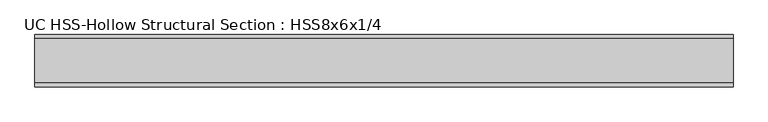
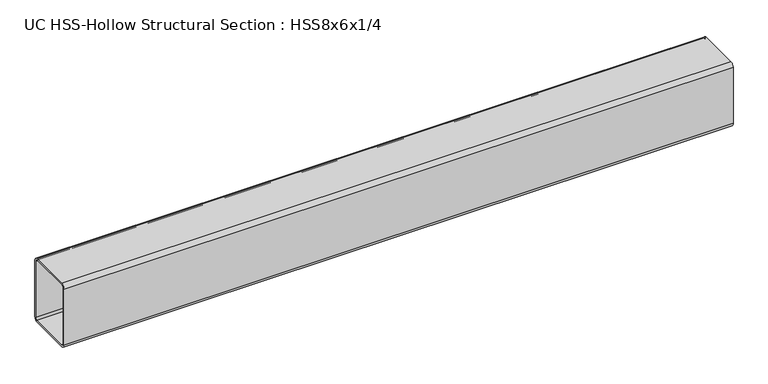
"""IFC4 building model written with IfcOpenShell, lengths in millimetres: beam geometry, UC HSS-Hollow Structural Section : HSS8x6x1/4."""

from ifc_helpers import new_model, si_unit, point, frame, frame_2d, origin, place, context, project, spatial, polyline, circle_curve, trimmed, segment, composite_curve, outline, extrude, source, transform, mapped, element, save


def uc_hss_hollow_structural_section_hss8x6x1_4_1d461222(model_context):
    return source(origin(), model_context, "Body", "SweptSolid", [
        extrude(outline(composite_curve([segment(trimmed(circle_curve(frame_2d((-64.3636, 89.7636)), 11.8364), [point((-76.2, 89.7636))], [point((-64.3636, 101.6))], False, "CARTESIAN"), True, "CONTINUOUS"), segment(polyline([(-64.3636, 101.6), (64.3636, 101.6)]), True, "CONTINUOUS"), segment(trimmed(circle_curve(frame_2d((64.3636, 89.7636)), 11.8364), [point((64.3636, 101.6))], [point((76.2, 89.7636))], False, "CARTESIAN"), True, "CONTINUOUS"), segment(polyline([(76.2, 89.7636), (76.2, -89.7636)]), True, "CONTINUOUS"), segment(trimmed(circle_curve(frame_2d((64.3636, -89.7636)), 11.8364), [point((76.2, -89.7636))], [point((64.3636, -101.6))], False, "CARTESIAN"), True, "CONTINUOUS"), segment(polyline([(64.3636, -101.6), (-64.3636, -101.6)]), True, "CONTINUOUS"), segment(trimmed(circle_curve(frame_2d((-64.3636, -89.7636)), 11.8364), [point((-64.3636, -101.6))], [point((-76.2, -89.7636))], False, "CARTESIAN"), True, "CONTINUOUS"), segment(polyline([(-76.2, -89.7636), (-76.2, 89.7636)]), True, "CONTINUOUS")], self_intersect=False), holes=[composite_curve([segment(polyline([(64.3636, 95.6818), (-64.3636, 95.6818)]), True, "CONTINUOUS"), segment(trimmed(circle_curve(frame_2d((-64.3636, 89.7636)), 5.9182), [point((-64.3636, 95.6818))], [point((-70.2818, 89.7636))], True, "CARTESIAN"), True, "CONTINUOUS"), segment(polyline([(-70.2818, 89.7636), (-70.2818, -89.7636)]), True, "CONTINUOUS"), segment(trimmed(circle_curve(frame_2d((-64.3636, -89.7636)), 5.9182), [point((-70.2818, -89.7636))], [point((-64.3636, -95.6818))], True, "CARTESIAN"), True, "CONTINUOUS"), segment(polyline([(-64.3636, -95.6818), (64.3636, -95.6818)]), True, "CONTINUOUS"), segment(trimmed(circle_curve(frame_2d((64.3636, -89.7636)), 5.9182), [point((64.3636, -95.6818))], [point((70.2818, -89.7636))], True, "CARTESIAN"), True, "CONTINUOUS"), segment(polyline([(70.2818, -89.7636), (70.2818, 89.7636)]), True, "CONTINUOUS"), segment(trimmed(circle_curve(frame_2d((64.3636, 89.7636)), 5.9182), [point((70.2818, 89.7636))], [point((64.3636, 95.6818))], True, "CARTESIAN"), True, "CONTINUOUS")], self_intersect=False)]), frame((-724.8631675, 0.0, 0.0), z_axis=(1.0, 0.0, 0.0), x_axis=(0.0, 1.0, 0.0)), (0.0, 0.0, 1.0), 2028.3956932),
    ])


if __name__ == "__main__":
    model = new_model("IFC4")
    model_context = context("Model", 3, world=origin())
    ifc_project = project(units=[si_unit("LENGTHUNIT", "METRE", prefix="MILLI")], contexts=[model_context])
    site = spatial("IfcSite", under=ifc_project)
    building = spatial("IfcBuilding", under=site)
    placement = place(None, origin())
    uc_hss_hollow_structural_section_hss8x6x1_4_shape = uc_hss_hollow_structural_section_hss8x6x1_4_1d461222(model_context)
    element("IfcBeam", 1, ObjectType="UC HSS-Hollow Structural Section : HSS8x6x1/4", at=placement, inside=building, context=model_context, shape_type="MappedRepresentation", body=[
        mapped(uc_hss_hollow_structural_section_hss8x6x1_4_shape, transform((0.0, 0.0, 0.0), x_axis=(1.0, 0.0, 0.0), y_axis=(0.0, 1.0, 0.0), z_axis=(0.0, 0.0, 1.0))),
    ])
    save(model, "model.ifc")
